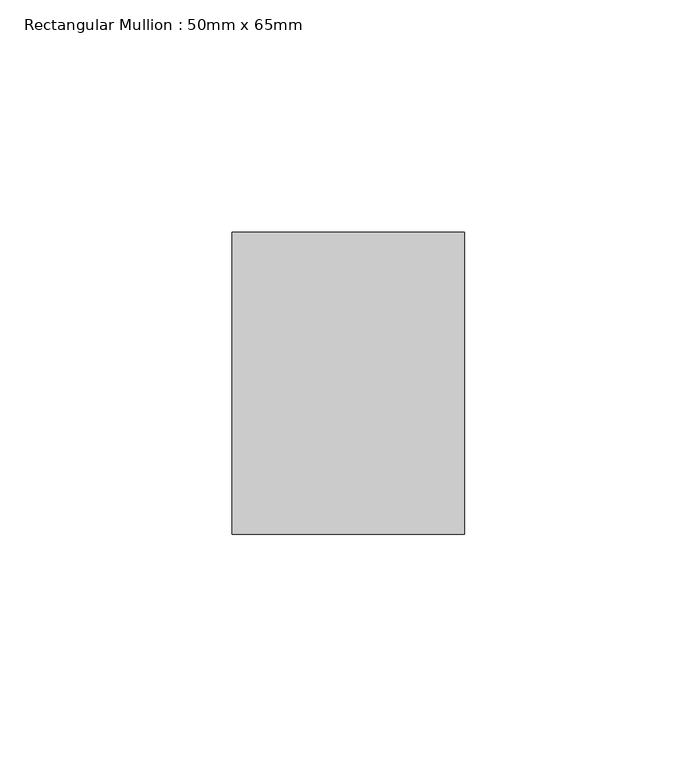
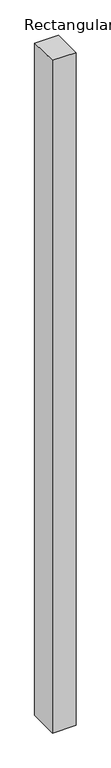
"""IFC4 building model written with IfcOpenShell, lengths in millimetres: member geometry, Rectangular Mullion : 50mm x 65mm."""

import ifcopenshell
import ifcopenshell.guid

model = None  # the IFC model being written
_history = None  # IfcOwnerHistory: only IFC2X3 demands one
_inside = {}  # id of a spatial element -> (the spatial element, [elements in it])
_under = {}  # id of a project, library or spatial element -> (it, [spatial elements below it])
_declared = {}  # id of a project -> (the project, [libraries it declares])
_typed = {}  # id of a type object -> (the type object, [elements of that type])
_made_of = {}  # id of a material, layer set ... -> (it, [elements and type objects made of it])


def new_model(schema):
    """Start an empty IFC model of exactly this schema.

    Asked for "IFC4X3", IfcOpenShell would pick the latest addendum, in which some entities
    have other attributes; the version numbers below select the first issue.
    IFC2X3 requires an IfcOwnerHistory on every rooted entity: one is made here for all.
    """
    global model, _history
    if schema == "IFC4X3":
        model = ifcopenshell.file(schema_version=(4, 3, 0, 0))
    else:
        model = ifcopenshell.file(schema=schema)
    _inside.clear()
    _under.clear()
    _declared.clear()
    _typed.clear()
    _made_of.clear()
    _history = None
    if model.schema == "IFC2X3":
        org = make("IfcOrganization", Name="unknown")
        user = make(
            "IfcPersonAndOrganization",
            ThePerson=make("IfcPerson", FamilyName="unknown"),
            TheOrganization=org,
        )
        app = make(
            "IfcApplication",
            ApplicationDeveloper=org,
            Version="unknown",
            ApplicationFullName="unknown",
            ApplicationIdentifier="unknown",
        )
        _history = make(
            "IfcOwnerHistory",
            OwningUser=user,
            OwningApplication=app,
            ChangeAction="ADDED",
            CreationDate=0,
        )
    return model


def make(cls, **values):
    """One entity of the class cls with the attributes given. An attribute that is None is left unset."""
    return model.create_entity(
        cls, **{name: value for name, value in values.items() if value is not None}
    )


def rooted(cls, **values):
    """An entity with a GlobalId (a new one), such as an element, a storey or a relation."""
    return make(cls, GlobalId=ifcopenshell.guid.new(), OwnerHistory=_history, **values)


def si_unit(unit_type, name, prefix=None):
    """IfcSIUnit, for example si_unit("LENGTHUNIT", "METRE", prefix="MILLI")."""
    return make("IfcSIUnit", UnitType=unit_type, Prefix=prefix, Name=name)


def assignment(units):
    """IfcUnitAssignment: the units of a project."""
    return None if units is None else make("IfcUnitAssignment", Units=units)


def point(xyz):
    """IfcCartesianPoint."""
    return None if xyz is None else make("IfcCartesianPoint", Coordinates=xyz)


def direction(xyz):
    """IfcDirection."""
    return None if xyz is None else make("IfcDirection", DirectionRatios=xyz)


def frame(location, z_axis=None, x_axis=None):
    """IfcAxis2Placement3D, a coordinate frame: its origin and axes. An axis left out is left unset."""
    return make(
        "IfcAxis2Placement3D",
        Location=point(location),
        Axis=direction(z_axis),
        RefDirection=direction(x_axis),
    )


def origin():
    """The frame at (0, 0, 0) with its axes left unset."""
    return frame((0.0, 0.0, 0.0))


def place(relative_to, where):
    """IfcLocalPlacement: puts the frame where relative to a parent placement (None: the world)."""
    return make(
        "IfcLocalPlacement", PlacementRelTo=relative_to, RelativePlacement=where
    )


def context(
    kind, dimensions, precision=None, world=None, true_north=None, identifier=None
):
    """IfcGeometricRepresentationContext, for example the 3D "Model" context."""
    return make(
        "IfcGeometricRepresentationContext",
        ContextIdentifier=identifier,
        ContextType=kind,
        CoordinateSpaceDimension=dimensions,
        Precision=precision,
        WorldCoordinateSystem=world,
        TrueNorth=true_north,
    )


def project(units=None, contexts=None):
    """IfcProject with its units and contexts."""
    return rooted(
        "IfcProject",
        Name="project",
        RepresentationContexts=contexts,
        UnitsInContext=assignment(units),
    )


def spatial(cls, under=None, at=None, **own):
    """A site, building, storey or space (cls), placed at a placement, below another one or the project."""
    s = rooted(cls, ObjectPlacement=at, **own)
    if under is not None:
        _under.setdefault(under.id(), (under, []))[1].append(s)
    return s


def faces_of(points, faces, orient=None, outer=None):
    """IfcFace entities. A face is a list of loops; a loop is a list of indices into points, from 0.

    orient and outer hold one flag for each loop. By default every Orientation is true, the
    first loop of a face is its IfcFaceOuterBound and the others are IfcFaceBound.
    """
    made = []
    for i, loops in enumerate(faces):
        bounds = []
        for j, loop in enumerate(loops):
            is_outer = j == 0 if outer is None else outer[i][j]
            bounds.append(
                make(
                    "IfcFaceOuterBound" if is_outer else "IfcFaceBound",
                    Bound=make("IfcPolyLoop", Polygon=[points[k] for k in loop]),
                    Orientation=True if orient is None else orient[i][j],
                )
            )
        made.append(make("IfcFace", Bounds=bounds))
    return made


def faceted_brep(points, faces, orient=None, outer=None, voids=None):
    """IfcFacetedBrep: a solid bounded by flat faces; with voids (closed shells), ...WithVoids."""
    shared = [point(p) for p in points]
    hull = make("IfcClosedShell", CfsFaces=faces_of(shared, faces, orient, outer))
    if voids is None:
        return make("IfcFacetedBrep", Outer=hull)
    return make(
        "IfcFacetedBrepWithVoids",
        Outer=hull,
        Voids=[
            make(cls, CfsFaces=faces_of(shared, fs, o, b)) for cls, fs, o, b in voids
        ],
    )


def shape(context_of_items, identifier, shape_type, items):
    """IfcShapeRepresentation: the items that make up one representation, for example the "Body"."""
    return make(
        "IfcShapeRepresentation",
        ContextOfItems=context_of_items,
        RepresentationIdentifier=identifier,
        RepresentationType=shape_type,
        Items=items,
    )


def source(mapping_origin, context_of_items, identifier, shape_type, items):
    """IfcRepresentationMap: a shape defined once, which mapped items show again and again."""
    return make(
        "IfcRepresentationMap",
        MappingOrigin=mapping_origin,
        MappedRepresentation=shape(context_of_items, identifier, shape_type, items),
    )


def transform(
    local_origin,
    x_axis=None,
    y_axis=None,
    z_axis=None,
    scale=None,
    scale2=None,
    scale3=None,
    uniform=True,
):
    """IfcCartesianTransformationOperator3D, or its non-uniform kind. x_axis, y_axis, z_axis: its Axis1, 2, 3."""
    if uniform:
        return make(
            "IfcCartesianTransformationOperator3D",
            Axis1=direction(x_axis),
            Axis2=direction(y_axis),
            LocalOrigin=point(local_origin),
            Scale=scale,
            Axis3=direction(z_axis),
        )
    return make(
        "IfcCartesianTransformationOperator3DnonUniform",
        Axis1=direction(x_axis),
        Axis2=direction(y_axis),
        LocalOrigin=point(local_origin),
        Scale=scale,
        Axis3=direction(z_axis),
        Scale2=scale2,
        Scale3=scale3,
    )


def mapped(mapping_source, mapping_target):
    """IfcMappedItem: shows the shape of a source again, moved by a transform."""
    return make(
        "IfcMappedItem", MappingSource=mapping_source, MappingTarget=mapping_target
    )


def made_of(thing, what):
    """Note that an element or type object is made of a material, layer set ...; save() writes the relation."""
    if what is not None:
        _made_of.setdefault(what.id(), (what, []))[1].append(thing)
    return thing


def element(
    cls,
    number,
    at=None,
    inside=None,
    cuts=None,
    type_object=None,
    material=None,
    context=None,
    identifier="Body",
    shape_type=None,
    held_by="IfcProductDefinitionShape",
    body=None,
    shapes=None,
    **own,
):
    """One element of the class cls, such as IfcWall. Its Tag is "e" and its number.

    at: its placement. inside: the storey or other place that contains it. cuts: it is an
    opening in that element (IfcRelVoidsElement). A single representation is given by context,
    identifier, shape_type and body (its items); several are given by shapes. held_by: the class
    of the entity that holds the representations. save() writes the other relations.
    """
    e = rooted(cls, Tag="e%d" % number, ObjectPlacement=at, **own)
    if body is not None:
        shapes = [shape(context, identifier, shape_type, body)]
    if shapes is not None:
        e.Representation = make(held_by, Representations=shapes)
    if inside is not None:
        _inside.setdefault(inside.id(), (inside, []))[1].append(e)
    if cuts is not None:
        rooted(
            "IfcRelVoidsElement", RelatingBuildingElement=cuts, RelatedOpeningElement=e
        )
    if type_object is not None:
        _typed.setdefault(type_object.id(), (type_object, []))[1].append(e)
    return made_of(e, material)


def aggregate(whole, parts):
    """IfcRelAggregates: a whole, such as a stair, and the parts it consists of."""
    return rooted("IfcRelAggregates", RelatingObject=whole, RelatedObjects=parts)


def save(model, path):
    """Write the relations noted so far, then the file.

    IfcRelAggregates (storeys below a building ...), IfcRelContainedInSpatialStructure (elements
    in a storey), IfcRelDefinesByType, IfcRelAssociatesMaterial and IfcRelDeclares: one each for
    every whole, place, type object, material and project.
    """
    for whole, parts in _under.values():
        aggregate(whole, parts)
    for where, things in _inside.values():
        rooted(
            "IfcRelContainedInSpatialStructure",
            RelatedElements=things,
            RelatingStructure=where,
        )
    for kind, things in _typed.values():
        rooted("IfcRelDefinesByType", RelatedObjects=things, RelatingType=kind)
    for what, things in _made_of.values():
        rooted("IfcRelAssociatesMaterial", RelatedObjects=things, RelatingMaterial=what)
    for by, libraries in _declared.values():
        rooted("IfcRelDeclares", RelatingContext=by, RelatedDefinitions=libraries)
    model.write(path)


def rectangular_mullion_50mm_x_65mm_aafcaa25(model_context):
    return source(origin(), model_context, "Body", "Brep", [
        faceted_brep([(-25.0, 32.5, -0.4073273), (25.0, 32.5, -0.4073262), (25.0, 32.5, -1499.6947656), (-25.0, 32.5, -1499.6947648), (-25.0, -32.5, 0.4073262), (-25.0, -32.5, -1500.306214), (25.0, -32.5, 0.4073273), (25.0, -32.5, -1500.3062149)], [[[0, 1, 2, 3]], [[4, 0, 3, 5]], [[6, 4, 5, 7]], [[1, 6, 7, 2]], [[1, 0, 4, 6]], [[2, 7, 5, 3]]]),
    ])


if __name__ == "__main__":
    model = new_model("IFC4")
    model_context = context("Model", 3, world=origin())
    ifc_project = project(units=[si_unit("LENGTHUNIT", "METRE", prefix="MILLI")], contexts=[model_context])
    site = spatial("IfcSite", under=ifc_project)
    building = spatial("IfcBuilding", under=site)
    placement = place(None, origin())
    rectangular_mullion_50mm_x_65mm_shape = rectangular_mullion_50mm_x_65mm_aafcaa25(model_context)
    element("IfcMember", 1, ObjectType="Rectangular Mullion : 50mm x 65mm", at=placement, inside=building, context=model_context, shape_type="MappedRepresentation", body=[
        mapped(rectangular_mullion_50mm_x_65mm_shape, transform((0.0, 0.0, 0.0), x_axis=(1.0, 0.0, 0.0), y_axis=(0.0, 1.0, 0.0), z_axis=(0.0, 0.0, 1.0))),
    ])
    save(model, "model.ifc")
